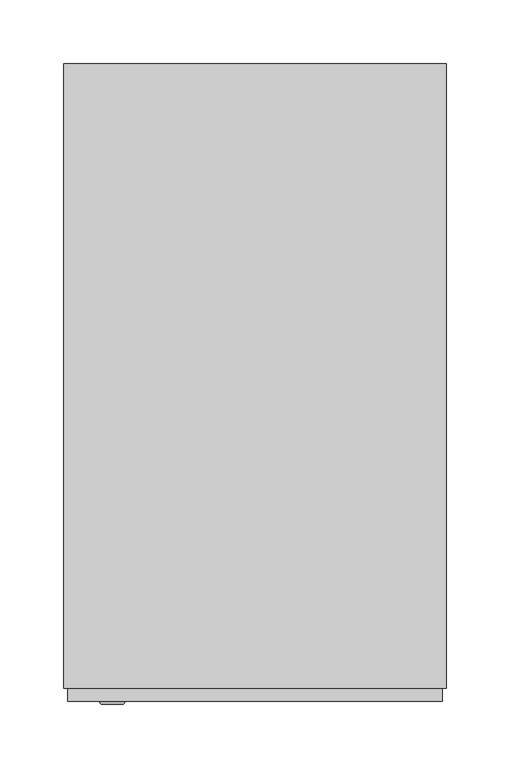
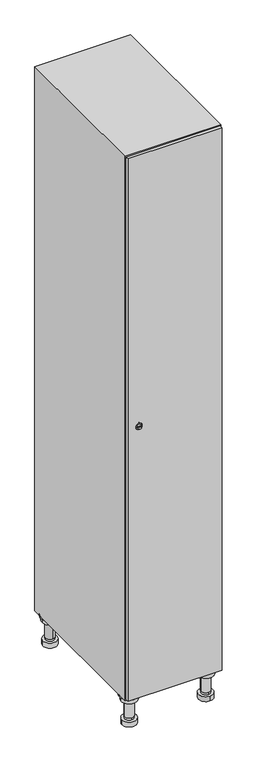
"""IFC4 building model written with IfcOpenShell, lengths in millimetres: furniture geometry."""

from ifc_helpers import new_model, si_unit, point, frame, frame_2d, origin, place, context, project, spatial, polyline, circle_curve, trimmed, segment, composite_curve, outline, extrude, faceted_brep, source, transform, mapped, element, save
from ifc_brep_helpers import plane_surface, cylinder_surface, revolved_surface, advanced_brep


def furniture_ddc833ad(model_context):
    return source(origin(), model_context, "Body", "SolidModel", [
        advanced_brep(
        [(70.0, -201.0, 22.0), (70.0, -201.5, 16.0), (70.0, -228.5, 16.0), (70.0, -229.0, 22.0), (56.0, -215.0, 22.0), (84.0, -215.0, 22.0), (70.0, -192.5, 16.0), (70.0, -237.5, 16.0), (70.0, -192.5, 0.0), (70.0, -237.5, 0.0), (84.0, -215.0, 78.0), (56.0, -215.0, 78.0), (95.0, -215.0, 78.0), (45.0, -215.0, 78.0), (100.0, -215.0, 94.0), (40.0, -215.0, 94.0), (45.0, -215.0, 94.0), (95.0, -215.0, 94.0), (100.0, -215.0, 100.0), (40.0, -215.0, 100.0)],
        [
            (0, 1),
            (1, 2, circle_curve(frame((70.0, -215.0, 16.0), z_axis=(0.0, 0.0, 1.0), x_axis=(0.0, -1.0, 0.0)), 13.5)),
            (2, 3),
            (3, 4, circle_curve(frame((70.0, -215.0, 22.0), z_axis=(0.0, 0.0, -1.0), x_axis=(0.0, -1.0, 0.0)), 14.0)),
            (4, 0, circle_curve(frame((70.0, -215.0, 22.0), z_axis=(0.0, 0.0, -1.0), x_axis=(0.0, -1.0, 0.0)), 14.0)),
            (0, 5, circle_curve(frame((70.0, -215.0, 22.0), z_axis=(0.0, 0.0, -1.0), x_axis=(0.0, 1.0, 0.0)), 14.0)),
            (5, 3, circle_curve(frame((70.0, -215.0, 22.0), z_axis=(0.0, 0.0, -1.0), x_axis=(0.0, 1.0, 0.0)), 14.0)),
            (2, 1, circle_curve(frame((70.0, -215.0, 16.0), z_axis=(0.0, 0.0, 1.0), x_axis=(0.0, 1.0, 0.0)), 13.5)),
            (6, 7, circle_curve(frame((70.0, -215.0, 16.0), z_axis=(0.0, 0.0, 1.0), x_axis=(0.0, -1.0, 0.0)), 22.5)),
            (7, 6, circle_curve(frame((70.0, -215.0, 16.0), z_axis=(0.0, 0.0, 1.0), x_axis=(0.0, -1.0, 0.0)), 22.5)),
            (8, 9, circle_curve(frame((70.0, -215.0, 0.0), z_axis=(0.0, 0.0, -1.0), x_axis=(0.0, -1.0, 0.0)), 22.5)),
            (9, 8, circle_curve(frame((70.0, -215.0, 0.0), z_axis=(0.0, 0.0, -1.0), x_axis=(0.0, -1.0, 0.0)), 22.5)),
            (6, 8),
            (9, 7),
            (5, 10),
            (10, 11, circle_curve(frame((70.0, -215.0, 78.0), z_axis=(0.0, 0.0, -1.0), x_axis=(-1.0, 0.0, 0.0)), 14.0)),
            (11, 4),
            (11, 10, circle_curve(frame((70.0, -215.0, 78.0), z_axis=(0.0, 0.0, -1.0), x_axis=(-1.0, 0.0, 0.0)), 14.0)),
            (12, 13, circle_curve(frame((70.0, -215.0, 78.0), z_axis=(0.0, 0.0, -1.0), x_axis=(-1.0, 0.0, 0.0)), 25.0)),
            (13, 12, circle_curve(frame((70.0, -215.0, 78.0), z_axis=(0.0, 0.0, -1.0), x_axis=(-1.0, 0.0, 0.0)), 25.0)),
            (14, 15, circle_curve(frame((70.0, -215.0, 94.0), z_axis=(0.0, 0.0, -1.0), x_axis=(-1.0, 0.0, 0.0)), 30.0)),
            (15, 14, circle_curve(frame((70.0, -215.0, 94.0), z_axis=(0.0, 0.0, -1.0), x_axis=(-1.0, 0.0, 0.0)), 30.0)),
            (16, 17, circle_curve(frame((70.0, -215.0, 94.0), z_axis=(0.0, 0.0, 1.0), x_axis=(-1.0, 0.0, 0.0)), 25.0)),
            (17, 16, circle_curve(frame((70.0, -215.0, 94.0), z_axis=(0.0, 0.0, 1.0), x_axis=(-1.0, 0.0, 0.0)), 25.0)),
            (18, 19, circle_curve(frame((70.0, -215.0, 100.0), z_axis=(0.0, 0.0, 1.0), x_axis=(-1.0, 0.0, 0.0)), 30.0)),
            (19, 18, circle_curve(frame((70.0, -215.0, 100.0), z_axis=(0.0, 0.0, 1.0), x_axis=(-1.0, 0.0, 0.0)), 30.0)),
            (14, 18),
            (19, 15),
            (12, 17),
            (16, 13),
        ],
        [
            revolved_surface(polyline([(70.0, -201.5, 16.0), (70.0, -201.0, 22.0)]), (70.0, -215.0, -146.0), (0.0, 0.0, 1.0)),
            plane_surface(frame((70.0, 0.0, 16.0), z_axis=(0.0, 0.0, 1.0), x_axis=(0.0, -1.0, 0.0))),
            plane_surface(frame((70.0, 0.0, 0.0), z_axis=(0.0, 0.0, -1.0), x_axis=(0.0, -1.0, 0.0))),
            cylinder_surface(frame((70.0, -215.0, 16.0), z_axis=(0.0, 0.0, 1.0), x_axis=(0.0, -1.0, 0.0)), 22.5),
            cylinder_surface(frame((70.0, -215.0, 22.0), z_axis=(0.0, 0.0, -1.0), x_axis=(-1.0, 0.0, 0.0)), 14.0),
            plane_surface(frame((70.0, 0.0, 78.0), z_axis=(0.0, 0.0, -1.0), x_axis=(0.0, -1.0, 0.0))),
            plane_surface(frame((70.0, 0.0, 94.0), z_axis=(0.0, 0.0, -1.0), x_axis=(0.0, -1.0, 0.0))),
            plane_surface(frame((70.0, 0.0, 100.0), z_axis=(0.0, 0.0, 1.0), x_axis=(0.0, -1.0, 0.0))),
            cylinder_surface(frame((70.0, -215.0, 94.0), z_axis=(0.0, 0.0, -1.0), x_axis=(-1.0, 0.0, 0.0)), 30.0),
            cylinder_surface(frame((70.0, -215.0, 78.0), z_axis=(0.0, 0.0, -1.0), x_axis=(-1.0, 0.0, 0.0)), 25.0),
        ],
        [
            (0, [[1, 2, 3, 4, 5]]),
            (0, [[-1, 6, 7, -3, 8]]),
            (1, [[9, 10], [-2, -8]]),
            (2, [[11, 12]]),
            (3, [[-9, 13, -12, 14]]),
            (3, [[-10, -14, -11, -13]]),
            (4, [[15, 16, 17, -4, -7]]),
            (4, [[-15, -6, -5, -17, 18]]),
            (5, [[19, 20], [-16, -18]]),
            (6, [[21, 22], [23, 24]]),
            (7, [[25, 26]]),
            (8, [[-21, 27, -26, 28]]),
            (8, [[-22, -28, -25, -27]]),
            (9, [[-19, 29, -23, 30]]),
            (9, [[-20, -30, -24, -29]]),
        ],
    ),
        advanced_brep(
        [(-170.0, -201.0, 22.0), (-170.0, -201.5, 16.0), (-170.0, -228.5, 16.0), (-170.0, -229.0, 22.0), (-184.0, -215.0, 22.0), (-156.0, -215.0, 22.0), (-147.5, -215.0, 0.0), (-192.5, -215.0, 0.0), (-147.5, -215.0, 16.0), (-192.5, -215.0, 16.0), (-156.0, -215.0, 78.0), (-184.0, -215.0, 78.0), (-145.0, -215.0, 78.0), (-195.0, -215.0, 78.0), (-140.0, -215.0, 94.0), (-200.0, -215.0, 94.0), (-195.0, -215.0, 94.0), (-145.0, -215.0, 94.0), (-140.0, -215.0, 100.0), (-200.0, -215.0, 100.0)],
        [
            (0, 1),
            (1, 2, circle_curve(frame((-170.0, -215.0, 16.0), z_axis=(0.0, 0.0, 1.0), x_axis=(0.0, -1.0, 0.0)), 13.5)),
            (2, 3),
            (3, 4, circle_curve(frame((-170.0, -215.0, 22.0), z_axis=(0.0, 0.0, -1.0), x_axis=(0.0, -1.0, 0.0)), 14.0)),
            (4, 0, circle_curve(frame((-170.0, -215.0, 22.0), z_axis=(0.0, 0.0, -1.0), x_axis=(0.0, -1.0, 0.0)), 14.0)),
            (0, 5, circle_curve(frame((-170.0, -215.0, 22.0), z_axis=(0.0, 0.0, -1.0), x_axis=(0.0, 1.0, 0.0)), 14.0)),
            (5, 3, circle_curve(frame((-170.0, -215.0, 22.0), z_axis=(0.0, 0.0, -1.0), x_axis=(0.0, 1.0, 0.0)), 14.0)),
            (2, 1, circle_curve(frame((-170.0, -215.0, 16.0), z_axis=(0.0, 0.0, 1.0), x_axis=(0.0, 1.0, 0.0)), 13.5)),
            (6, 7, circle_curve(frame((-170.0, -215.0, 0.0), z_axis=(0.0, 0.0, -1.0), x_axis=(-1.0, 0.0, 0.0)), 22.5)),
            (7, 6, circle_curve(frame((-170.0, -215.0, 0.0), z_axis=(0.0, 0.0, -1.0), x_axis=(-1.0, 0.0, 0.0)), 22.5)),
            (8, 9, circle_curve(frame((-170.0, -215.0, 16.0), z_axis=(0.0, 0.0, 1.0), x_axis=(-1.0, 0.0, 0.0)), 22.5)),
            (9, 8, circle_curve(frame((-170.0, -215.0, 16.0), z_axis=(0.0, 0.0, 1.0), x_axis=(-1.0, 0.0, 0.0)), 22.5)),
            (6, 8),
            (9, 7),
            (5, 10),
            (10, 11, circle_curve(frame((-170.0, -215.0, 78.0), z_axis=(0.0, 0.0, -1.0), x_axis=(-1.0, 0.0, 0.0)), 14.0)),
            (11, 4),
            (11, 10, circle_curve(frame((-170.0, -215.0, 78.0), z_axis=(0.0, 0.0, -1.0), x_axis=(-1.0, 0.0, 0.0)), 14.0)),
            (12, 13, circle_curve(frame((-170.0, -215.0, 78.0), z_axis=(0.0, 0.0, -1.0), x_axis=(-1.0, 0.0, 0.0)), 25.0)),
            (13, 12, circle_curve(frame((-170.0, -215.0, 78.0), z_axis=(0.0, 0.0, -1.0), x_axis=(-1.0, 0.0, 0.0)), 25.0)),
            (14, 15, circle_curve(frame((-170.0, -215.0, 94.0), z_axis=(0.0, 0.0, -1.0), x_axis=(-1.0, 0.0, 0.0)), 30.0)),
            (15, 14, circle_curve(frame((-170.0, -215.0, 94.0), z_axis=(0.0, 0.0, -1.0), x_axis=(-1.0, 0.0, 0.0)), 30.0)),
            (16, 17, circle_curve(frame((-170.0, -215.0, 94.0), z_axis=(0.0, 0.0, 1.0), x_axis=(-1.0, 0.0, 0.0)), 25.0)),
            (17, 16, circle_curve(frame((-170.0, -215.0, 94.0), z_axis=(0.0, 0.0, 1.0), x_axis=(-1.0, 0.0, 0.0)), 25.0)),
            (18, 19, circle_curve(frame((-170.0, -215.0, 100.0), z_axis=(0.0, 0.0, 1.0), x_axis=(-1.0, 0.0, 0.0)), 30.0)),
            (19, 18, circle_curve(frame((-170.0, -215.0, 100.0), z_axis=(0.0, 0.0, 1.0), x_axis=(-1.0, 0.0, 0.0)), 30.0)),
            (14, 18),
            (19, 15),
            (12, 17),
            (16, 13),
        ],
        [
            revolved_surface(polyline([(-170.0, -201.5, 16.0), (-170.0, -201.0, 22.0)]), (-170.0, -215.0, -146.0), (0.0, 0.0, 1.0)),
            plane_surface(frame((-170.0, 0.0, 0.0), z_axis=(0.0, 0.0, -1.0), x_axis=(0.0, -1.0, 0.0))),
            plane_surface(frame((-170.0, 0.0, 16.0), z_axis=(0.0, 0.0, 1.0), x_axis=(0.0, -1.0, 0.0))),
            cylinder_surface(frame((-170.0, -215.0, 0.0), z_axis=(0.0, 0.0, -1.0), x_axis=(-1.0, 0.0, 0.0)), 22.5),
            cylinder_surface(frame((-170.0, -215.0, 22.0), z_axis=(0.0, 0.0, -1.0), x_axis=(-1.0, 0.0, 0.0)), 14.0),
            plane_surface(frame((-170.0, 0.0, 78.0), z_axis=(0.0, 0.0, -1.0), x_axis=(0.0, -1.0, 0.0))),
            plane_surface(frame((-170.0, 0.0, 94.0), z_axis=(0.0, 0.0, -1.0), x_axis=(0.0, -1.0, 0.0))),
            plane_surface(frame((-170.0, 0.0, 100.0), z_axis=(0.0, 0.0, 1.0), x_axis=(0.0, -1.0, 0.0))),
            cylinder_surface(frame((-170.0, -215.0, 94.0), z_axis=(0.0, 0.0, -1.0), x_axis=(-1.0, 0.0, 0.0)), 30.0),
            cylinder_surface(frame((-170.0, -215.0, 78.0), z_axis=(0.0, 0.0, -1.0), x_axis=(-1.0, 0.0, 0.0)), 25.0),
        ],
        [
            (0, [[1, 2, 3, 4, 5]]),
            (0, [[-1, 6, 7, -3, 8]]),
            (1, [[9, 10]]),
            (2, [[11, 12], [-2, -8]]),
            (3, [[-9, 13, -12, 14]]),
            (3, [[-10, -14, -11, -13]]),
            (4, [[15, 16, 17, -4, -7]]),
            (4, [[-15, -6, -5, -17, 18]]),
            (5, [[19, 20], [-16, -18]]),
            (6, [[21, 22], [23, 24]]),
            (7, [[25, 26]]),
            (8, [[-21, 27, -26, 28]]),
            (8, [[-22, -28, -25, -27]]),
            (9, [[-19, 29, -23, 30]]),
            (9, [[-20, -30, -24, -29]]),
        ],
    ),
        advanced_brep(
        [(83.5, 215.0, 16.0), (84.0, 215.0, 22.0), (56.0, 215.0, 22.0), (56.5, 215.0, 16.0), (92.5, 215.0, 0.0), (47.5, 215.0, 0.0), (92.5, 215.0, 16.0), (47.5, 215.0, 16.0), (84.0, 215.0, 78.0), (56.0, 215.0, 78.0), (95.0, 215.0, 78.0), (45.0, 215.0, 78.0), (100.0, 215.0, 94.0), (40.0, 215.0, 94.0), (45.0, 215.0, 94.0), (95.0, 215.0, 94.0), (100.0, 215.0, 100.0), (40.0, 215.0, 100.0)],
        [
            (0, 1),
            (1, 2, circle_curve(frame((70.0, 215.0, 22.0), z_axis=(0.0, 0.0, -1.0), x_axis=(-1.0, 0.0, 0.0)), 14.0)),
            (2, 3),
            (3, 0, circle_curve(frame((70.0, 215.0, 16.0), z_axis=(0.0, 0.0, 1.0), x_axis=(-1.0, 0.0, 0.0)), 13.5)),
            (0, 3, circle_curve(frame((70.0, 215.0, 16.0), z_axis=(0.0, 0.0, 1.0), x_axis=(1.0, 0.0, 0.0)), 13.5)),
            (2, 1, circle_curve(frame((70.0, 215.0, 22.0), z_axis=(0.0, 0.0, -1.0), x_axis=(1.0, 0.0, 0.0)), 14.0)),
            (4, 5, circle_curve(frame((70.0, 215.0, 0.0), z_axis=(0.0, 0.0, -1.0), x_axis=(-1.0, 0.0, 0.0)), 22.5)),
            (5, 4, circle_curve(frame((70.0, 215.0, 0.0), z_axis=(0.0, 0.0, -1.0), x_axis=(-1.0, 0.0, 0.0)), 22.5)),
            (6, 7, circle_curve(frame((70.0, 215.0, 16.0), z_axis=(0.0, 0.0, 1.0), x_axis=(-1.0, 0.0, 0.0)), 22.5)),
            (7, 6, circle_curve(frame((70.0, 215.0, 16.0), z_axis=(0.0, 0.0, 1.0), x_axis=(-1.0, 0.0, 0.0)), 22.5)),
            (4, 6),
            (7, 5),
            (1, 8),
            (8, 9, circle_curve(frame((70.0, 215.0, 78.0), z_axis=(0.0, 0.0, -1.0), x_axis=(-1.0, 0.0, 0.0)), 14.0)),
            (9, 2),
            (9, 8, circle_curve(frame((70.0, 215.0, 78.0), z_axis=(0.0, 0.0, -1.0), x_axis=(-1.0, 0.0, 0.0)), 14.0)),
            (10, 11, circle_curve(frame((70.0, 215.0, 78.0), z_axis=(0.0, 0.0, -1.0), x_axis=(-1.0, 0.0, 0.0)), 25.0)),
            (11, 10, circle_curve(frame((70.0, 215.0, 78.0), z_axis=(0.0, 0.0, -1.0), x_axis=(-1.0, 0.0, 0.0)), 25.0)),
            (12, 13, circle_curve(frame((70.0, 215.0, 94.0), z_axis=(0.0, 0.0, -1.0), x_axis=(-1.0, 0.0, 0.0)), 30.0)),
            (13, 12, circle_curve(frame((70.0, 215.0, 94.0), z_axis=(0.0, 0.0, -1.0), x_axis=(-1.0, 0.0, 0.0)), 30.0)),
            (14, 15, circle_curve(frame((70.0, 215.0, 94.0), z_axis=(0.0, 0.0, 1.0), x_axis=(-1.0, 0.0, 0.0)), 25.0)),
            (15, 14, circle_curve(frame((70.0, 215.0, 94.0), z_axis=(0.0, 0.0, 1.0), x_axis=(-1.0, 0.0, 0.0)), 25.0)),
            (16, 17, circle_curve(frame((70.0, 215.0, 100.0), z_axis=(0.0, 0.0, 1.0), x_axis=(-1.0, 0.0, 0.0)), 30.0)),
            (17, 16, circle_curve(frame((70.0, 215.0, 100.0), z_axis=(0.0, 0.0, 1.0), x_axis=(-1.0, 0.0, 0.0)), 30.0)),
            (12, 16),
            (17, 13),
            (10, 15),
            (14, 11),
        ],
        [
            revolved_surface(polyline([(83.5, 215.0, 16.0), (84.0, 215.0, 22.0)]), (70.0, 215.0, -146.0), (0.0, 0.0, 1.0)),
            plane_surface(frame((70.0, 0.0, 0.0), z_axis=(0.0, 0.0, -1.0), x_axis=(0.0, -1.0, 0.0))),
            plane_surface(frame((70.0, 0.0, 16.0), z_axis=(0.0, 0.0, 1.0), x_axis=(0.0, -1.0, 0.0))),
            cylinder_surface(frame((70.0, 215.0, 0.0), z_axis=(0.0, 0.0, -1.0), x_axis=(-1.0, 0.0, 0.0)), 22.5),
            cylinder_surface(frame((70.0, 215.0, 22.0), z_axis=(0.0, 0.0, -1.0), x_axis=(-1.0, 0.0, 0.0)), 14.0),
            plane_surface(frame((70.0, 0.0, 78.0), z_axis=(0.0, 0.0, -1.0), x_axis=(0.0, -1.0, 0.0))),
            plane_surface(frame((70.0, 0.0, 94.0), z_axis=(0.0, 0.0, -1.0), x_axis=(0.0, -1.0, 0.0))),
            plane_surface(frame((70.0, 0.0, 100.0), z_axis=(0.0, 0.0, 1.0), x_axis=(0.0, -1.0, 0.0))),
            cylinder_surface(frame((70.0, 215.0, 94.0), z_axis=(0.0, 0.0, -1.0), x_axis=(-1.0, 0.0, 0.0)), 30.0),
            cylinder_surface(frame((70.0, 215.0, 78.0), z_axis=(0.0, 0.0, -1.0), x_axis=(-1.0, 0.0, 0.0)), 25.0),
        ],
        [
            (0, [[1, 2, 3, 4]]),
            (0, [[-1, 5, -3, 6]]),
            (1, [[7, 8]]),
            (2, [[9, 10], [-4, -5]]),
            (3, [[-7, 11, -10, 12]]),
            (3, [[-8, -12, -9, -11]]),
            (4, [[13, 14, 15, -2]]),
            (4, [[-13, -6, -15, 16]]),
            (5, [[17, 18], [-14, -16]]),
            (6, [[19, 20], [21, 22]]),
            (7, [[23, 24]]),
            (8, [[-19, 25, -24, 26]]),
            (8, [[-20, -26, -23, -25]]),
            (9, [[-17, 27, -21, 28]]),
            (9, [[-18, -28, -22, -27]]),
        ],
    ),
        advanced_brep(
        [(-156.5, 215.0, 16.0), (-156.0, 215.0, 22.0), (-170.0, 201.0, 22.0), (-184.0, 215.0, 22.0), (-183.5, 215.0, 16.0), (-170.0, 229.0, 22.0), (-147.5, 215.0, 0.0), (-192.5, 215.0, 0.0), (-147.5, 215.0, 16.0), (-192.5, 215.0, 16.0), (-170.0, 229.0, 78.0), (-170.0, 201.0, 78.0), (-145.0, 215.0, 78.0), (-195.0, 215.0, 78.0), (-140.0, 215.0, 94.0), (-200.0, 215.0, 94.0), (-195.0, 215.0, 94.0), (-145.0, 215.0, 94.0), (-140.0, 215.0, 100.0), (-200.0, 215.0, 100.0)],
        [
            (0, 1),
            (1, 2, circle_curve(frame((-170.0, 215.0, 22.0), z_axis=(0.0, 0.0, -1.0), x_axis=(-1.0, 0.0, 0.0)), 14.0)),
            (2, 3, circle_curve(frame((-170.0, 215.0, 22.0), z_axis=(0.0, 0.0, -1.0), x_axis=(-1.0, 0.0, 0.0)), 14.0)),
            (3, 4),
            (4, 0, circle_curve(frame((-170.0, 215.0, 16.0), z_axis=(0.0, 0.0, 1.0), x_axis=(-1.0, 0.0, 0.0)), 13.5)),
            (0, 4, circle_curve(frame((-170.0, 215.0, 16.0), z_axis=(0.0, 0.0, 1.0), x_axis=(1.0, 0.0, 0.0)), 13.5)),
            (3, 5, circle_curve(frame((-170.0, 215.0, 22.0), z_axis=(0.0, 0.0, -1.0), x_axis=(1.0, 0.0, 0.0)), 14.0)),
            (5, 1, circle_curve(frame((-170.0, 215.0, 22.0), z_axis=(0.0, 0.0, -1.0), x_axis=(1.0, 0.0, 0.0)), 14.0)),
            (6, 7, circle_curve(frame((-170.0, 215.0, 0.0), z_axis=(0.0, 0.0, -1.0), x_axis=(-1.0, 0.0, 0.0)), 22.5)),
            (7, 6, circle_curve(frame((-170.0, 215.0, 0.0), z_axis=(0.0, 0.0, -1.0), x_axis=(-1.0, 0.0, 0.0)), 22.5)),
            (8, 9, circle_curve(frame((-170.0, 215.0, 16.0), z_axis=(0.0, 0.0, 1.0), x_axis=(-1.0, 0.0, 0.0)), 22.5)),
            (9, 8, circle_curve(frame((-170.0, 215.0, 16.0), z_axis=(0.0, 0.0, 1.0), x_axis=(-1.0, 0.0, 0.0)), 22.5)),
            (6, 8),
            (9, 7),
            (10, 5),
            (2, 11),
            (11, 10, circle_curve(frame((-170.0, 215.0, 78.0), z_axis=(0.0, 0.0, -1.0), x_axis=(0.0, -1.0, 0.0)), 14.0)),
            (10, 11, circle_curve(frame((-170.0, 215.0, 78.0), z_axis=(0.0, 0.0, -1.0), x_axis=(0.0, -1.0, 0.0)), 14.0)),
            (12, 13, circle_curve(frame((-170.0, 215.0, 78.0), z_axis=(0.0, 0.0, -1.0), x_axis=(-1.0, 0.0, 0.0)), 25.0)),
            (13, 12, circle_curve(frame((-170.0, 215.0, 78.0), z_axis=(0.0, 0.0, -1.0), x_axis=(-1.0, 0.0, 0.0)), 25.0)),
            (14, 15, circle_curve(frame((-170.0, 215.0, 94.0), z_axis=(0.0, 0.0, -1.0), x_axis=(-1.0, 0.0, 0.0)), 30.0)),
            (15, 14, circle_curve(frame((-170.0, 215.0, 94.0), z_axis=(0.0, 0.0, -1.0), x_axis=(-1.0, 0.0, 0.0)), 30.0)),
            (16, 17, circle_curve(frame((-170.0, 215.0, 94.0), z_axis=(0.0, 0.0, 1.0), x_axis=(-1.0, 0.0, 0.0)), 25.0)),
            (17, 16, circle_curve(frame((-170.0, 215.0, 94.0), z_axis=(0.0, 0.0, 1.0), x_axis=(-1.0, 0.0, 0.0)), 25.0)),
            (18, 19, circle_curve(frame((-170.0, 215.0, 100.0), z_axis=(0.0, 0.0, 1.0), x_axis=(-1.0, 0.0, 0.0)), 30.0)),
            (19, 18, circle_curve(frame((-170.0, 215.0, 100.0), z_axis=(0.0, 0.0, 1.0), x_axis=(-1.0, 0.0, 0.0)), 30.0)),
            (14, 18),
            (19, 15),
            (12, 17),
            (16, 13),
        ],
        [
            revolved_surface(polyline([(-156.5, 215.0, 16.0), (-156.0, 215.0, 22.0)]), (-170.0, 215.0, -146.0), (0.0, 0.0, 1.0)),
            plane_surface(frame((-170.0, 0.0, 0.0), z_axis=(0.0, 0.0, -1.0), x_axis=(0.0, -1.0, 0.0))),
            plane_surface(frame((-170.0, 0.0, 16.0), z_axis=(0.0, 0.0, 1.0), x_axis=(0.0, -1.0, 0.0))),
            cylinder_surface(frame((-170.0, 215.0, 0.0), z_axis=(0.0, 0.0, -1.0), x_axis=(-1.0, 0.0, 0.0)), 22.5),
            cylinder_surface(frame((-170.0, 215.0, 78.0), z_axis=(0.0, 0.0, 1.0), x_axis=(0.0, -1.0, 0.0)), 14.0),
            plane_surface(frame((-170.0, 0.0, 78.0), z_axis=(0.0, 0.0, -1.0), x_axis=(0.0, -1.0, 0.0))),
            plane_surface(frame((-170.0, 0.0, 94.0), z_axis=(0.0, 0.0, -1.0), x_axis=(0.0, -1.0, 0.0))),
            plane_surface(frame((-170.0, 0.0, 100.0), z_axis=(0.0, 0.0, 1.0), x_axis=(0.0, -1.0, 0.0))),
            cylinder_surface(frame((-170.0, 215.0, 94.0), z_axis=(0.0, 0.0, -1.0), x_axis=(-1.0, 0.0, 0.0)), 30.0),
            cylinder_surface(frame((-170.0, 215.0, 78.0), z_axis=(0.0, 0.0, -1.0), x_axis=(-1.0, 0.0, 0.0)), 25.0),
        ],
        [
            (0, [[1, 2, 3, 4, 5]]),
            (0, [[-1, 6, -4, 7, 8]]),
            (1, [[9, 10]]),
            (2, [[11, 12], [-5, -6]]),
            (3, [[-9, 13, -12, 14]]),
            (3, [[-10, -14, -11, -13]]),
            (4, [[15, -7, -3, 16, 17]]),
            (4, [[-15, 18, -16, -2, -8]]),
            (5, [[19, 20], [-17, -18]]),
            (6, [[21, 22], [23, 24]]),
            (7, [[25, 26]]),
            (8, [[-21, 27, -26, 28]]),
            (8, [[-22, -28, -25, -27]]),
            (9, [[-19, 29, -23, 30]]),
            (9, [[-20, -30, -24, -29]]),
        ],
    ),
        extrude(outline(composite_curve([segment(trimmed(circle_curve(frame_2d((1000.0, -188.7989466)), 7.0), [point((1007.0, -188.7989466))], [point((993.0, -188.7989466))], False, "CARTESIAN"), True, "CONTINUOUS"), segment(polyline([(993.0, -188.7989466), (993.0, -160.7989466)]), True, "CONTINUOUS"), segment(trimmed(circle_curve(frame_2d((1000.0, -160.7989466)), 7.0), [point((993.0, -160.7989466))], [point((1007.0, -160.7989466))], False, "CARTESIAN"), True, "CONTINUOUS"), segment(polyline([(1007.0, -160.7989466), (1007.0, -188.7989466)]), True, "CONTINUOUS")], self_intersect=False)), frame((0.0, -245.0, 0.0), z_axis=(0.0, 1.0, 0.0), x_axis=(0.0, 0.0, 1.0)), (0.0, 0.0, 1.0), 2.0),
        advanced_brep(
        [(-153.5, -257.2, 1000.0), (-170.5, -257.2, 1000.0), (-167.0, -257.2, 998.75), (-167.0, -257.2, 1001.25), (-157.0, -257.2, 1001.25), (-157.0, -257.2, 998.75), (-151.5, -255.0, 1000.0), (-172.5, -255.0, 1000.0), (-167.0, -255.0, 1001.25), (-167.0, -255.0, 998.75), (-157.0, -255.0, 998.75), (-157.0, -255.0, 1001.25)],
        [
            (0, 1, circle_curve(frame((-162.0, -257.2, 1000.0), z_axis=(0.0, -1.0, 0.0), x_axis=(1.0, 0.0, 0.0)), 8.5)),
            (1, 0, circle_curve(frame((-162.0, -257.2, 1000.0), z_axis=(0.0, -1.0, 0.0), x_axis=(-1.0, 0.0, 0.0)), 8.5)),
            (2, 3),
            (3, 4),
            (4, 5),
            (5, 2),
            (6, 7, circle_curve(frame((-162.0, -255.0, 1000.0), z_axis=(0.0, 1.0, 0.0), x_axis=(-1.0, 0.0, 0.0)), 10.5)),
            (7, 6, circle_curve(frame((-162.0, -255.0, 1000.0), z_axis=(0.0, 1.0, 0.0), x_axis=(1.0, 0.0, 0.0)), 10.5)),
            (8, 9),
            (9, 10),
            (10, 11),
            (11, 8),
            (0, 6),
            (7, 1),
            (8, 3),
            (2, 9),
            (11, 4),
            (10, 5),
        ],
        [
            plane_surface(frame((-162.0, -257.2, 1000.0), z_axis=(0.0, -1.0, 0.0), x_axis=(0.0, 0.0, 1.0))),
            plane_surface(frame((-162.0, -255.0, 1000.0), z_axis=(0.0, 1.0, 0.0), x_axis=(0.0, 0.0, 1.0))),
            revolved_surface(polyline([(-153.5, -257.2, 1000.0), (-151.5, -255.0, 1000.0)]), (-162.0, -266.55, 1000.0), (0.0, 1.0, 0.0)),
            revolved_surface(polyline([(-170.5, -257.2, 1000.0), (-172.5, -255.0, 1000.0)]), (-162.0, -266.55, 1000.0), (0.0, 1.0, 0.0)),
            plane_surface(frame((-167.0, -255.0, 998.75), z_axis=(1.0, 0.0, 0.0), x_axis=(0.0, -1.0, 0.0))),
            plane_surface(frame((-167.0, -255.0, 1001.25), z_axis=(0.0, 0.0, -1.0), x_axis=(0.0, -1.0, 0.0))),
            plane_surface(frame((-157.0, -255.0, 1001.25), z_axis=(-1.0, 0.0, 0.0), x_axis=(0.0, -1.0, 0.0))),
            plane_surface(frame((-157.0, -255.0, 998.75), z_axis=(0.0, 0.0, 1.0), x_axis=(0.0, -1.0, 0.0))),
        ],
        [
            (0, [[1, 2], [3, 4, 5, 6]]),
            (1, [[7, 8], [9, 10, 11, 12]]),
            (2, [[-1, 13, -8, 14]]),
            (3, [[-2, -14, -7, -13]]),
            (4, [[15, -3, 16, -9]]),
            (5, [[-15, -12, 17, -4]]),
            (6, [[-17, -11, 18, -5]]),
            (7, [[-16, -6, -18, -10]]),
        ],
    ),
        extrude(outline(polyline([(97.0, -245.0), (97.0, -255.0), (-197.0, -255.0), (-197.0, -245.0), (97.0, -245.0)])), frame((0.0, 0.0, 103.0), z_axis=(0.0, 0.0, 1.0), x_axis=(1.0, 0.0, 0.0)), (0.0, 0.0, 1.0), 1794.0),
        faceted_brep([(100.0, -245.0, 100.0), (100.0, -245.0, 1900.0), (-200.0, -245.0, 1900.0), (-200.0, -245.0, 100.0), (90.0, -245.0, 1890.0), (90.0, -245.0, 110.0), (-190.0, -245.0, 110.0), (-190.0, -245.0, 1890.0), (100.0, 245.0, 100.0), (-200.0, 245.0, 100.0), (100.0, 245.0, 1900.0), (-200.0, 245.0, 1900.0), (90.0, 241.0, 1890.0), (90.0, 241.0, 110.0), (-200.0, 245.0, 1890.0), (-190.0, 241.0, 1890.0), (-190.0, 241.0, 110.0)], [[[0, 1, 2, 3], [4, 5, 6, 7]], [[8, 0, 3, 9]], [[1, 0, 8, 10]], [[1, 10, 11, 2]], [[4, 12, 13, 5]], [[9, 3, 2, 11, 14]], [[10, 8, 9, 14, 11]], [[12, 15, 16, 13]], [[15, 7, 6, 16]], [[4, 7, 15, 12]], [[6, 5, 13, 16]]]),
    ])


if __name__ == "__main__":
    model = new_model("IFC4")
    model_context = context("Model", 3, world=origin())
    ifc_project = project(units=[si_unit("LENGTHUNIT", "METRE", prefix="MILLI")], contexts=[model_context])
    site = spatial("IfcSite", under=ifc_project)
    building = spatial("IfcBuilding", under=site)
    placement = place(None, origin())
    furniture_shape = furniture_ddc833ad(model_context)
    element("IfcFurniture", 1, at=placement, inside=building, context=model_context, shape_type="MappedRepresentation", body=[
        mapped(furniture_shape, transform((0.0, 0.0, 0.0), x_axis=(1.0, 0.0, 0.0), y_axis=(0.0, 1.0, 0.0), z_axis=(0.0, 0.0, 1.0))),
    ])
    save(model, "model.ifc")
